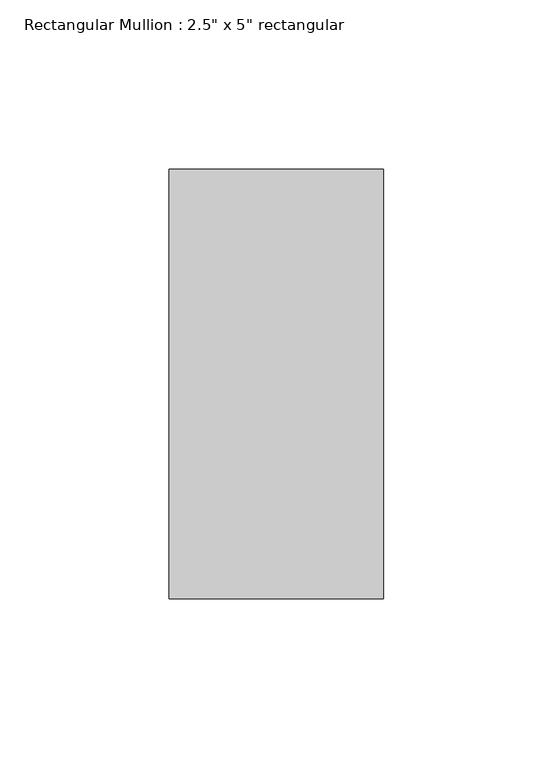
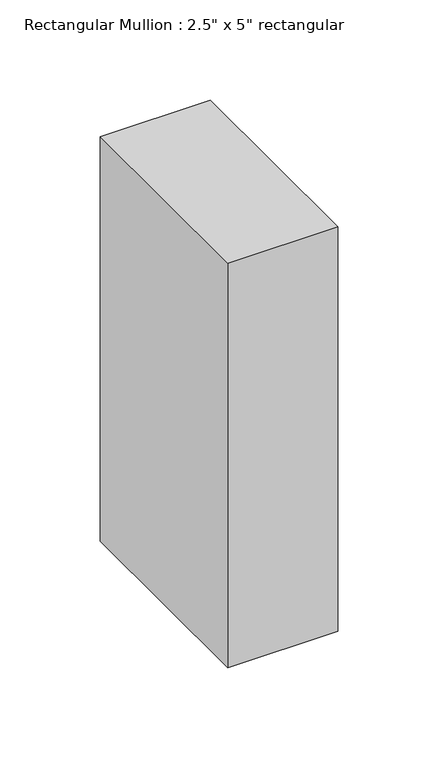
"""IFC4 building model written with IfcOpenShell, lengths in millimetres: member geometry."""

from ifc_helpers import new_model, si_unit, frame, origin, place, context, project, spatial, polyline, outline, extrude, source, transform, mapped, element, save


def member_b523c9b2(model_context):
    return source(origin(), model_context, "Body", "SweptSolid", [
        extrude(outline(polyline([(31.75, 63.5), (31.75, -63.5), (-31.75, -63.5), (-31.75, 63.5), (31.75, 63.5)])), frame((0.0, 0.0, -246.4091019), z_axis=(0.0, 0.0, 1.0), x_axis=(1.0, 0.0, 0.0)), (0.0, 0.0, 1.0), 246.4091019),
    ])


if __name__ == "__main__":
    model = new_model("IFC4")
    model_context = context("Model", 3, world=origin())
    ifc_project = project(units=[si_unit("LENGTHUNIT", "METRE", prefix="MILLI")], contexts=[model_context])
    site = spatial("IfcSite", under=ifc_project)
    building = spatial("IfcBuilding", under=site)
    placement = place(None, origin())
    member_shape = member_b523c9b2(model_context)
    element("IfcMember", 1, ObjectType="Rectangular Mullion : 2.5\" x 5\" rectangular", at=placement, inside=building, context=model_context, shape_type="MappedRepresentation", body=[
        mapped(member_shape, transform((0.0, 0.0, 0.0), x_axis=(1.0, 0.0, 0.0), y_axis=(0.0, 1.0, 0.0), z_axis=(0.0, 0.0, 1.0))),
    ])
    save(model, "model.ifc")
